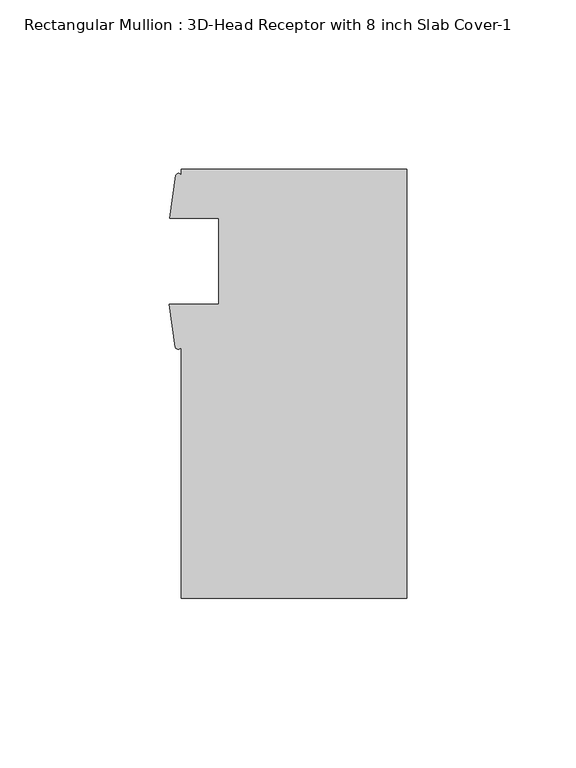
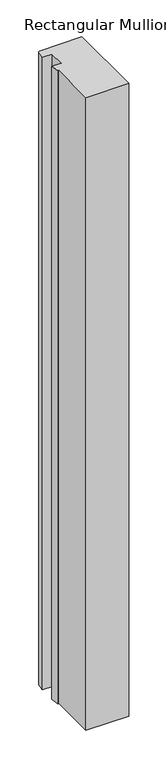
"""IFC4 building model written with IfcOpenShell, lengths in millimetres: member geometry, Rectangular Mullion : 3D-Head Receptor with 8 inch Slab Cover-1."""

from ifc_helpers import new_model, si_unit, point, frame, frame_2d, origin, place, context, project, spatial, polyline, circle_curve, trimmed, segment, composite_curve, outline, extrude, source, transform, mapped, element, save


def rectangular_mullion_3d_head_receptor_with_8_inch_slab_cover_40144a08(model_context):
    return source(origin(), model_context, "Body", "SweptSolid", [
        extrude(outline(composite_curve([segment(trimmed(circle_curve(frame_2d((-32.4094413, 1.7915983)), 0.9669288), [point((-31.5777391, 1.2984222))], [point((-33.2411435, 1.2984222))], False, "CARTESIAN"), True, "CONTINUOUS"), segment(polyline([(-33.2411435, 1.2984222), (-35.0972609, 14.071475), (-20.4652391, 14.071475), (-20.4652391, 39.471475), (-34.9737391, 39.471475), (-33.1636354, 52.2427625)]), True, "CONTINUOUS"), segment(trimmed(circle_curve(frame_2d((-32.3706873, 51.8105998)), 0.9030677), [point((-33.1636354, 52.2427625))], [point((-31.5777391, 52.2427625))], False, "CARTESIAN"), True, "CONTINUOUS"), segment(polyline([(-31.5777391, 52.2427625), (-31.5777391, 53.975), (35.0972609, 53.975), (35.0972609, -72.771), (-31.5777391, -72.771), (-31.5777391, 1.2984222)]), True, "CONTINUOUS")], self_intersect=False)), frame((0.0, 0.0, -1045.8703315), z_axis=(0.0, 0.0, 1.0), x_axis=(1.0, 0.0, 0.0)), (0.0, 0.0, 1.0), 1045.8703315),
    ])


if __name__ == "__main__":
    model = new_model("IFC4")
    model_context = context("Model", 3, world=origin())
    ifc_project = project(units=[si_unit("LENGTHUNIT", "METRE", prefix="MILLI")], contexts=[model_context])
    site = spatial("IfcSite", under=ifc_project)
    building = spatial("IfcBuilding", under=site)
    placement = place(None, origin())
    rectangular_mullion_3d_head_receptor_with_8_inch_slab_cover_shape = rectangular_mullion_3d_head_receptor_with_8_inch_slab_cover_40144a08(model_context)
    element("IfcMember", 1, ObjectType="Rectangular Mullion : 3D-Head Receptor with 8 inch Slab Cover-1", at=placement, inside=building, context=model_context, shape_type="MappedRepresentation", body=[
        mapped(rectangular_mullion_3d_head_receptor_with_8_inch_slab_cover_shape, transform((0.0, 0.0, 0.0), x_axis=(1.0, 0.0, 0.0), y_axis=(0.0, 1.0, 0.0), z_axis=(0.0, 0.0, 1.0))),
    ])
    save(model, "model.ifc")
